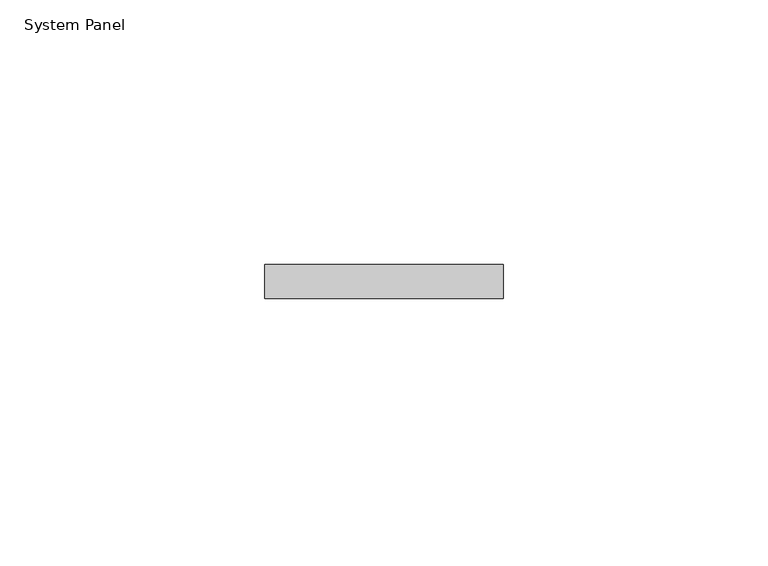
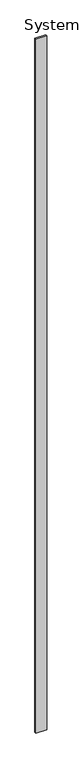
"""IFC4 building model written with IfcOpenShell, lengths in millimetres: plate geometry, System Panel."""

import ifcopenshell
import ifcopenshell.guid

model = None  # the IFC model being written
_history = None  # IfcOwnerHistory: only IFC2X3 demands one
_inside = {}  # id of a spatial element -> (the spatial element, [elements in it])
_under = {}  # id of a project, library or spatial element -> (it, [spatial elements below it])
_declared = {}  # id of a project -> (the project, [libraries it declares])
_typed = {}  # id of a type object -> (the type object, [elements of that type])
_made_of = {}  # id of a material, layer set ... -> (it, [elements and type objects made of it])


def new_model(schema):
    """Start an empty IFC model of exactly this schema.

    Asked for "IFC4X3", IfcOpenShell would pick the latest addendum, in which some entities
    have other attributes; the version numbers below select the first issue.
    IFC2X3 requires an IfcOwnerHistory on every rooted entity: one is made here for all.
    """
    global model, _history
    if schema == "IFC4X3":
        model = ifcopenshell.file(schema_version=(4, 3, 0, 0))
    else:
        model = ifcopenshell.file(schema=schema)
    _inside.clear()
    _under.clear()
    _declared.clear()
    _typed.clear()
    _made_of.clear()
    _history = None
    if model.schema == "IFC2X3":
        org = make("IfcOrganization", Name="unknown")
        user = make(
            "IfcPersonAndOrganization",
            ThePerson=make("IfcPerson", FamilyName="unknown"),
            TheOrganization=org,
        )
        app = make(
            "IfcApplication",
            ApplicationDeveloper=org,
            Version="unknown",
            ApplicationFullName="unknown",
            ApplicationIdentifier="unknown",
        )
        _history = make(
            "IfcOwnerHistory",
            OwningUser=user,
            OwningApplication=app,
            ChangeAction="ADDED",
            CreationDate=0,
        )
    return model


def make(cls, **values):
    """One entity of the class cls with the attributes given. An attribute that is None is left unset."""
    return model.create_entity(
        cls, **{name: value for name, value in values.items() if value is not None}
    )


def rooted(cls, **values):
    """An entity with a GlobalId (a new one), such as an element, a storey or a relation."""
    return make(cls, GlobalId=ifcopenshell.guid.new(), OwnerHistory=_history, **values)


def si_unit(unit_type, name, prefix=None):
    """IfcSIUnit, for example si_unit("LENGTHUNIT", "METRE", prefix="MILLI")."""
    return make("IfcSIUnit", UnitType=unit_type, Prefix=prefix, Name=name)


def assignment(units):
    """IfcUnitAssignment: the units of a project."""
    return None if units is None else make("IfcUnitAssignment", Units=units)


def point(xyz):
    """IfcCartesianPoint."""
    return None if xyz is None else make("IfcCartesianPoint", Coordinates=xyz)


def direction(xyz):
    """IfcDirection."""
    return None if xyz is None else make("IfcDirection", DirectionRatios=xyz)


def frame(location, z_axis=None, x_axis=None):
    """IfcAxis2Placement3D, a coordinate frame: its origin and axes. An axis left out is left unset."""
    return make(
        "IfcAxis2Placement3D",
        Location=point(location),
        Axis=direction(z_axis),
        RefDirection=direction(x_axis),
    )


def origin():
    """The frame at (0, 0, 0) with its axes left unset."""
    return frame((0.0, 0.0, 0.0))


def origin_with_axes():
    """The frame at (0, 0, 0) with the z axis (0, 0, 1) and the x axis (1, 0, 0) written out."""
    return frame((0.0, 0.0, 0.0), z_axis=(0.0, 0.0, 1.0), x_axis=(1.0, 0.0, 0.0))


def place(relative_to, where):
    """IfcLocalPlacement: puts the frame where relative to a parent placement (None: the world)."""
    return make(
        "IfcLocalPlacement", PlacementRelTo=relative_to, RelativePlacement=where
    )


def context(
    kind, dimensions, precision=None, world=None, true_north=None, identifier=None
):
    """IfcGeometricRepresentationContext, for example the 3D "Model" context."""
    return make(
        "IfcGeometricRepresentationContext",
        ContextIdentifier=identifier,
        ContextType=kind,
        CoordinateSpaceDimension=dimensions,
        Precision=precision,
        WorldCoordinateSystem=world,
        TrueNorth=true_north,
    )


def project(units=None, contexts=None):
    """IfcProject with its units and contexts."""
    return rooted(
        "IfcProject",
        Name="project",
        RepresentationContexts=contexts,
        UnitsInContext=assignment(units),
    )


def spatial(cls, under=None, at=None, **own):
    """A site, building, storey or space (cls), placed at a placement, below another one or the project."""
    s = rooted(cls, ObjectPlacement=at, **own)
    if under is not None:
        _under.setdefault(under.id(), (under, []))[1].append(s)
    return s


def polyline(points):
    """IfcPolyline through the points."""
    return make("IfcPolyline", Points=[point(p) for p in points])


def outline(outer, holes=None, kind="AREA"):
    """IfcArbitraryClosedProfileDef: a profile drawn as a closed curve; with holes, ...WithVoids."""
    if holes is None:
        return make("IfcArbitraryClosedProfileDef", ProfileType=kind, OuterCurve=outer)
    return make(
        "IfcArbitraryProfileDefWithVoids",
        ProfileType=kind,
        OuterCurve=outer,
        InnerCurves=holes,
    )


def extrude(swept, where, along, depth):
    """IfcExtrudedAreaSolid: the profile swept, set in the frame where, extruded along a direction by depth."""
    return make(
        "IfcExtrudedAreaSolid",
        SweptArea=swept,
        Position=where,
        ExtrudedDirection=direction(along),
        Depth=depth,
    )


def shape(context_of_items, identifier, shape_type, items):
    """IfcShapeRepresentation: the items that make up one representation, for example the "Body"."""
    return make(
        "IfcShapeRepresentation",
        ContextOfItems=context_of_items,
        RepresentationIdentifier=identifier,
        RepresentationType=shape_type,
        Items=items,
    )


def source(mapping_origin, context_of_items, identifier, shape_type, items):
    """IfcRepresentationMap: a shape defined once, which mapped items show again and again."""
    return make(
        "IfcRepresentationMap",
        MappingOrigin=mapping_origin,
        MappedRepresentation=shape(context_of_items, identifier, shape_type, items),
    )


def transform(
    local_origin,
    x_axis=None,
    y_axis=None,
    z_axis=None,
    scale=None,
    scale2=None,
    scale3=None,
    uniform=True,
):
    """IfcCartesianTransformationOperator3D, or its non-uniform kind. x_axis, y_axis, z_axis: its Axis1, 2, 3."""
    if uniform:
        return make(
            "IfcCartesianTransformationOperator3D",
            Axis1=direction(x_axis),
            Axis2=direction(y_axis),
            LocalOrigin=point(local_origin),
            Scale=scale,
            Axis3=direction(z_axis),
        )
    return make(
        "IfcCartesianTransformationOperator3DnonUniform",
        Axis1=direction(x_axis),
        Axis2=direction(y_axis),
        LocalOrigin=point(local_origin),
        Scale=scale,
        Axis3=direction(z_axis),
        Scale2=scale2,
        Scale3=scale3,
    )


def mapped(mapping_source, mapping_target):
    """IfcMappedItem: shows the shape of a source again, moved by a transform."""
    return make(
        "IfcMappedItem", MappingSource=mapping_source, MappingTarget=mapping_target
    )


def made_of(thing, what):
    """Note that an element or type object is made of a material, layer set ...; save() writes the relation."""
    if what is not None:
        _made_of.setdefault(what.id(), (what, []))[1].append(thing)
    return thing


def element(
    cls,
    number,
    at=None,
    inside=None,
    cuts=None,
    type_object=None,
    material=None,
    context=None,
    identifier="Body",
    shape_type=None,
    held_by="IfcProductDefinitionShape",
    body=None,
    shapes=None,
    **own,
):
    """One element of the class cls, such as IfcWall. Its Tag is "e" and its number.

    at: its placement. inside: the storey or other place that contains it. cuts: it is an
    opening in that element (IfcRelVoidsElement). A single representation is given by context,
    identifier, shape_type and body (its items); several are given by shapes. held_by: the class
    of the entity that holds the representations. save() writes the other relations.
    """
    e = rooted(cls, Tag="e%d" % number, ObjectPlacement=at, **own)
    if body is not None:
        shapes = [shape(context, identifier, shape_type, body)]
    if shapes is not None:
        e.Representation = make(held_by, Representations=shapes)
    if inside is not None:
        _inside.setdefault(inside.id(), (inside, []))[1].append(e)
    if cuts is not None:
        rooted(
            "IfcRelVoidsElement", RelatingBuildingElement=cuts, RelatedOpeningElement=e
        )
    if type_object is not None:
        _typed.setdefault(type_object.id(), (type_object, []))[1].append(e)
    return made_of(e, material)


def aggregate(whole, parts):
    """IfcRelAggregates: a whole, such as a stair, and the parts it consists of."""
    return rooted("IfcRelAggregates", RelatingObject=whole, RelatedObjects=parts)


def save(model, path):
    """Write the relations noted so far, then the file.

    IfcRelAggregates (storeys below a building ...), IfcRelContainedInSpatialStructure (elements
    in a storey), IfcRelDefinesByType, IfcRelAssociatesMaterial and IfcRelDeclares: one each for
    every whole, place, type object, material and project.
    """
    for whole, parts in _under.values():
        aggregate(whole, parts)
    for where, things in _inside.values():
        rooted(
            "IfcRelContainedInSpatialStructure",
            RelatedElements=things,
            RelatingStructure=where,
        )
    for kind, things in _typed.values():
        rooted("IfcRelDefinesByType", RelatedObjects=things, RelatingType=kind)
    for what, things in _made_of.values():
        rooted("IfcRelAssociatesMaterial", RelatedObjects=things, RelatingMaterial=what)
    for by, libraries in _declared.values():
        rooted("IfcRelDeclares", RelatingContext=by, RelatedDefinitions=libraries)
    model.write(path)


def system_panel_636544f3(model_context):
    return source(origin(), model_context, "Body", "SweptSolid", [
        extrude(outline(polyline([(22.4544536, 0.0), (-22.4544536, 0.0), (-22.4544536, 6.35), (22.4544536, 6.35), (22.4544536, 0.0)])), origin_with_axes(), (0.0, 0.0, 1.0), 3048.0),
    ])


if __name__ == "__main__":
    model = new_model("IFC4")
    model_context = context("Model", 3, world=origin())
    ifc_project = project(units=[si_unit("LENGTHUNIT", "METRE", prefix="MILLI")], contexts=[model_context])
    site = spatial("IfcSite", under=ifc_project)
    building = spatial("IfcBuilding", under=site)
    placement = place(None, origin())
    system_panel_shape = system_panel_636544f3(model_context)
    element("IfcPlate", 1, ObjectType="System Panel", at=placement, inside=building, context=model_context, shape_type="MappedRepresentation", body=[
        mapped(system_panel_shape, transform((0.0, 0.0, 0.0), x_axis=(1.0, 0.0, 0.0), y_axis=(0.0, 1.0, 0.0), z_axis=(0.0, 0.0, 1.0))),
    ])
    save(model, "model.ifc")
